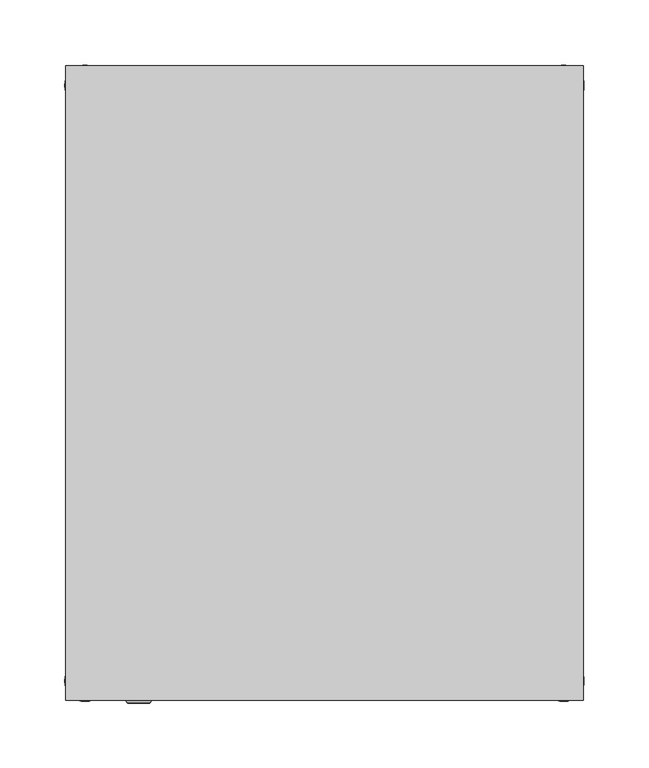
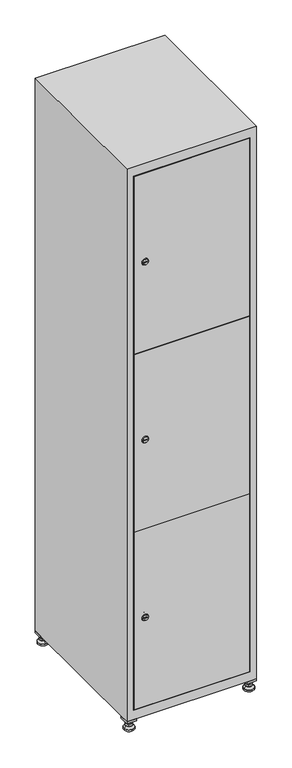
"""IFC4 building model written with IfcOpenShell, lengths in millimetres: furniture geometry."""

from ifc_helpers import new_model, si_unit, point, frame, frame_2d, origin, origin_with_axes, place, context, project, spatial, polyline, circle_curve, trimmed, segment, composite_curve, outline, extrude, faceted_brep, source, transform, mapped, element, save
from ifc_brep_helpers import plane_surface, revolved_surface, advanced_brep


def furniture_c2d61ed7(model_context):
    return source(origin(), model_context, "Body", "SolidModel", [
        extrude(outline(polyline([(200.0, 245.0), (200.0, 215.0), (170.0, 215.0), (170.0, 245.0), (200.0, 245.0)]), holes=[polyline([(198.0, 243.0), (172.0, 243.0), (172.0, 217.0), (198.0, 217.0), (198.0, 243.0)])]), frame((0.0, 0.0, 28.5), z_axis=(0.0, 0.0, 1.0), x_axis=(1.0, 0.0, 0.0)), (0.0, 0.0, 1.0), 6.5),
        extrude(outline(polyline([(170.0, -245.0), (170.0, -215.0), (200.0, -215.0), (200.0, -245.0), (170.0, -245.0)]), holes=[polyline([(172.0, -243.0), (198.0, -243.0), (198.0, -217.0), (172.0, -217.0), (172.0, -243.0)])]), frame((0.0, 0.0, 28.5), z_axis=(0.0, 0.0, 1.0), x_axis=(1.0, 0.0, 0.0)), (0.0, 0.0, 1.0), 6.5),
        extrude(outline(polyline([(-170.0, 245.0), (-170.0, 215.0), (-200.0, 215.0), (-200.0, 245.0), (-170.0, 245.0)]), holes=[polyline([(-172.0, 243.0), (-198.0, 243.0), (-198.0, 217.0), (-172.0, 217.0), (-172.0, 243.0)])]), frame((0.0, 0.0, 28.5), z_axis=(0.0, 0.0, 1.0), x_axis=(1.0, 0.0, 0.0)), (0.0, 0.0, 1.0), 6.5),
        extrude(outline(polyline([(-170.0, -215.0), (-170.0, -245.0), (-200.0, -245.0), (-200.0, -215.0), (-170.0, -215.0)]), holes=[polyline([(-198.0, -243.0), (-172.0, -243.0), (-172.0, -217.0), (-198.0, -217.0), (-198.0, -243.0)])]), frame((0.0, 0.0, 28.5), z_axis=(0.0, 0.0, 1.0), x_axis=(1.0, 0.0, 0.0)), (0.0, 0.0, 1.0), 6.5),
        extrude(outline(composite_curve([segment(trimmed(circle_curve(frame_2d((-185.0, 230.0)), 5.0), [point((-180.0, 230.0))], [point((-190.0, 230.0))], False, "CARTESIAN"), True, "CONTINUOUS"), segment(trimmed(circle_curve(frame_2d((-185.0, 230.0)), 5.0), [point((-190.0, 230.0))], [point((-180.0, 230.0))], False, "CARTESIAN"), True, "CONTINUOUS")], self_intersect=False)), frame((0.0, 0.0, 19.6), z_axis=(0.0, 0.0, 1.0), x_axis=(1.0, 0.0, 0.0)), (0.0, 0.0, 1.0), 15.4),
        extrude(outline(composite_curve([segment(trimmed(circle_curve(frame_2d((-185.0, -230.0)), 5.0), [point((-180.0, -230.0))], [point((-190.0, -230.0))], False, "CARTESIAN"), True, "CONTINUOUS"), segment(trimmed(circle_curve(frame_2d((-185.0, -230.0)), 5.0), [point((-190.0, -230.0))], [point((-180.0, -230.0))], False, "CARTESIAN"), True, "CONTINUOUS")], self_intersect=False)), frame((0.0, 0.0, 19.6), z_axis=(0.0, 0.0, 1.0), x_axis=(1.0, 0.0, 0.0)), (0.0, 0.0, 1.0), 15.4),
        extrude(outline(composite_curve([segment(trimmed(circle_curve(frame_2d((185.0, 230.0)), 5.0), [point((190.0, 230.0))], [point((180.0, 230.0))], False, "CARTESIAN"), True, "CONTINUOUS"), segment(trimmed(circle_curve(frame_2d((185.0, 230.0)), 5.0), [point((180.0, 230.0))], [point((190.0, 230.0))], False, "CARTESIAN"), True, "CONTINUOUS")], self_intersect=False)), frame((0.0, 0.0, 19.6), z_axis=(0.0, 0.0, 1.0), x_axis=(1.0, 0.0, 0.0)), (0.0, 0.0, 1.0), 15.4),
        extrude(outline(polyline([(173.4529946, 230.0), (179.2264973, 240.0), (190.7735027, 240.0), (196.5470054, 230.0), (190.7735027, 220.0), (179.2264973, 220.0), (173.4529946, 230.0)])), frame((0.0, 0.0, 13.6), z_axis=(0.0, 0.0, 1.0), x_axis=(1.0, 0.0, 0.0)), (0.0, 0.0, 1.0), 6.0),
        extrude(outline(composite_curve([segment(trimmed(circle_curve(frame_2d((185.0, -230.0)), 5.0), [point((190.0, -230.0))], [point((180.0, -230.0))], False, "CARTESIAN"), True, "CONTINUOUS"), segment(trimmed(circle_curve(frame_2d((185.0, -230.0)), 5.0), [point((180.0, -230.0))], [point((190.0, -230.0))], False, "CARTESIAN"), True, "CONTINUOUS")], self_intersect=False)), frame((0.0, 0.0, 19.6), z_axis=(0.0, 0.0, 1.0), x_axis=(1.0, 0.0, 0.0)), (0.0, 0.0, 1.0), 15.4),
        extrude(outline(polyline([(173.4529946, -230.0), (179.2264973, -220.0), (190.7735027, -220.0), (196.5470054, -230.0), (190.7735027, -240.0), (179.2264973, -240.0), (173.4529946, -230.0)])), frame((0.0, 0.0, 13.6), z_axis=(0.0, 0.0, 1.0), x_axis=(1.0, 0.0, 0.0)), (0.0, 0.0, 1.0), 6.0),
        extrude(outline(composite_curve([segment(trimmed(circle_curve(frame_2d((185.0, 230.0)), 5.0), [point((190.0, 230.0))], [point((180.0, 230.0))], False, "CARTESIAN"), True, "CONTINUOUS"), segment(trimmed(circle_curve(frame_2d((185.0, 230.0)), 5.0), [point((180.0, 230.0))], [point((190.0, 230.0))], False, "CARTESIAN"), True, "CONTINUOUS")], self_intersect=False)), frame((0.0, 0.0, 12.1), z_axis=(0.0, 0.0, 1.0), x_axis=(1.0, 0.0, 0.0)), (0.0, 0.0, 1.0), 1.5),
        extrude(outline(composite_curve([segment(trimmed(circle_curve(frame_2d((185.0, -230.0)), 5.0), [point((190.0, -230.0))], [point((180.0, -230.0))], False, "CARTESIAN"), True, "CONTINUOUS"), segment(trimmed(circle_curve(frame_2d((185.0, -230.0)), 5.0), [point((180.0, -230.0))], [point((190.0, -230.0))], False, "CARTESIAN"), True, "CONTINUOUS")], self_intersect=False)), frame((0.0, 0.0, 12.1), z_axis=(0.0, 0.0, 1.0), x_axis=(1.0, 0.0, 0.0)), (0.0, 0.0, 1.0), 1.5),
        extrude(outline(polyline([(-196.5470054, 230.0), (-190.7735027, 240.0), (-179.2264973, 240.0), (-173.4529946, 230.0), (-179.2264973, 220.0), (-190.7735027, 220.0), (-196.5470054, 230.0)])), frame((0.0, 0.0, 13.6), z_axis=(0.0, 0.0, 1.0), x_axis=(1.0, 0.0, 0.0)), (0.0, 0.0, 1.0), 6.0),
        extrude(outline(polyline([(-196.5470054, -230.0), (-190.7735027, -220.0), (-179.2264973, -220.0), (-173.4529946, -230.0), (-179.2264973, -240.0), (-190.7735027, -240.0), (-196.5470054, -230.0)])), frame((0.0, 0.0, 13.6), z_axis=(0.0, 0.0, 1.0), x_axis=(1.0, 0.0, 0.0)), (0.0, 0.0, 1.0), 6.0),
        extrude(outline(composite_curve([segment(trimmed(circle_curve(frame_2d((-185.0, 230.0)), 5.0), [point((-185.0, 235.0))], [point((-185.0, 225.0))], False, "CARTESIAN"), True, "CONTINUOUS"), segment(trimmed(circle_curve(frame_2d((-185.0, 230.0)), 5.0), [point((-185.0, 225.0))], [point((-185.0, 235.0))], False, "CARTESIAN"), True, "CONTINUOUS")], self_intersect=False)), frame((0.0, 0.0, 12.1), z_axis=(0.0, 0.0, 1.0), x_axis=(1.0, 0.0, 0.0)), (0.0, 0.0, 1.0), 1.5),
        extrude(outline(composite_curve([segment(trimmed(circle_curve(frame_2d((-185.0, -230.0)), 5.0), [point((-180.0, -230.0))], [point((-190.0, -230.0))], False, "CARTESIAN"), True, "CONTINUOUS"), segment(trimmed(circle_curve(frame_2d((-185.0, -230.0)), 5.0), [point((-190.0, -230.0))], [point((-180.0, -230.0))], False, "CARTESIAN"), True, "CONTINUOUS")], self_intersect=False)), frame((0.0, 0.0, 12.1), z_axis=(0.0, 0.0, 1.0), x_axis=(1.0, 0.0, 0.0)), (0.0, 0.0, 1.0), 1.5),
        extrude(outline(composite_curve([segment(trimmed(circle_curve(frame_2d((185.0, 230.0)), 15.75), [point((200.75, 230.0))], [point((169.25, 230.0))], False, "CARTESIAN"), True, "CONTINUOUS"), segment(trimmed(circle_curve(frame_2d((185.0, 230.0)), 15.75), [point((169.25, 230.0))], [point((200.75, 230.0))], False, "CARTESIAN"), True, "CONTINUOUS")], self_intersect=False)), origin_with_axes(), (0.0, 0.0, 1.0), 5.1),
        extrude(outline(composite_curve([segment(trimmed(circle_curve(frame_2d((185.0, -230.0)), 15.75), [point((185.0, -214.25))], [point((185.0, -245.75))], False, "CARTESIAN"), True, "CONTINUOUS"), segment(trimmed(circle_curve(frame_2d((185.0, -230.0)), 15.75), [point((185.0, -245.75))], [point((185.0, -214.25))], False, "CARTESIAN"), True, "CONTINUOUS")], self_intersect=False)), origin_with_axes(), (0.0, 0.0, 1.0), 5.1),
        extrude(outline(composite_curve([segment(trimmed(circle_curve(frame_2d((-185.0, -230.0)), 15.75), [point((-169.25, -230.0))], [point((-200.75, -230.0))], False, "CARTESIAN"), True, "CONTINUOUS"), segment(trimmed(circle_curve(frame_2d((-185.0, -230.0)), 15.75), [point((-200.75, -230.0))], [point((-169.25, -230.0))], False, "CARTESIAN"), True, "CONTINUOUS")], self_intersect=False)), origin_with_axes(), (0.0, 0.0, 1.0), 5.1),
        extrude(outline(composite_curve([segment(trimmed(circle_curve(frame_2d((-185.0, 230.0)), 15.75), [point((-169.25, 230.0))], [point((-200.75, 230.0))], False, "CARTESIAN"), True, "CONTINUOUS"), segment(trimmed(circle_curve(frame_2d((-185.0, 230.0)), 15.75), [point((-200.75, 230.0))], [point((-169.25, 230.0))], False, "CARTESIAN"), True, "CONTINUOUS")], self_intersect=False)), origin_with_axes(), (0.0, 0.0, 1.0), 5.1),
        advanced_brep(
        [(-185.0, 245.75, 5.1), (-185.0, 214.25, 5.1), (-185.0, 239.5, 12.1), (-185.0, 220.5, 12.1)],
        [
            (0, 1, circle_curve(frame((-185.0, 230.0, 5.1), z_axis=(0.0, 0.0, -1.0), x_axis=(0.0, 1.0, 0.0)), 15.75)),
            (1, 0, circle_curve(frame((-185.0, 230.0, 5.1), z_axis=(0.0, 0.0, -1.0), x_axis=(0.0, -1.0, 0.0)), 15.75)),
            (2, 3, circle_curve(frame((-185.0, 230.0, 12.1), z_axis=(0.0, 0.0, 1.0), x_axis=(0.0, -1.0, 0.0)), 9.5)),
            (3, 2, circle_curve(frame((-185.0, 230.0, 12.1), z_axis=(0.0, 0.0, 1.0), x_axis=(0.0, 1.0, 0.0)), 9.5)),
            (3, 1),
            (0, 2),
        ],
        [
            plane_surface(frame((-185.0, 230.0, 5.1), z_axis=(0.0, 0.0, -1.0), x_axis=(1.0, 0.0, 0.0))),
            plane_surface(frame((-185.0, 230.0, 12.1), z_axis=(0.0, 0.0, 1.0), x_axis=(1.0, 0.0, 0.0))),
            revolved_surface(polyline([(-185.0, 220.5, 12.099999999999998), (-185.0, 214.25, 5.099999999999998)]), (-185.0, 230.0, 22.74), (0.0, 0.0, -1.0)),
            revolved_surface(polyline([(-185.0, 239.5, 12.099999999999998), (-185.0, 245.75, 5.099999999999998)]), (-185.0, 230.0, 22.74), (0.0, 0.0, -1.0)),
        ],
        [
            (0, [[1, 2]]),
            (1, [[3, 4]]),
            (2, [[-4, 5, -1, 6]]),
            (3, [[-3, -6, -2, -5]]),
        ],
    ),
        advanced_brep(
        [(185.0, 245.75, 5.1), (185.0, 214.25, 5.1), (185.0, 239.5, 12.1), (185.0, 220.5, 12.1)],
        [
            (0, 1, circle_curve(frame((185.0, 230.0, 5.1), z_axis=(0.0, 0.0, -1.0), x_axis=(0.0, 1.0, 0.0)), 15.75)),
            (1, 0, circle_curve(frame((185.0, 230.0, 5.1), z_axis=(0.0, 0.0, -1.0), x_axis=(0.0, -1.0, 0.0)), 15.75)),
            (2, 3, circle_curve(frame((185.0, 230.0, 12.1), z_axis=(0.0, 0.0, 1.0), x_axis=(0.0, -1.0, 0.0)), 9.5)),
            (3, 2, circle_curve(frame((185.0, 230.0, 12.1), z_axis=(0.0, 0.0, 1.0), x_axis=(0.0, 1.0, 0.0)), 9.5)),
            (3, 1),
            (0, 2),
        ],
        [
            plane_surface(frame((185.0, 230.0, 5.1), z_axis=(0.0, 0.0, -1.0), x_axis=(1.0, 0.0, 0.0))),
            plane_surface(frame((185.0, 230.0, 12.1), z_axis=(0.0, 0.0, 1.0), x_axis=(1.0, 0.0, 0.0))),
            revolved_surface(polyline([(185.0, 220.5, 12.099999999999998), (185.0, 214.25, 5.099999999999998)]), (185.0, 230.0, 22.74), (0.0, 0.0, -1.0)),
            revolved_surface(polyline([(185.0, 239.5, 12.099999999999998), (185.0, 245.75, 5.099999999999998)]), (185.0, 230.0, 22.74), (0.0, 0.0, -1.0)),
        ],
        [
            (0, [[1, 2]]),
            (1, [[3, 4]]),
            (2, [[-4, 5, -1, 6]]),
            (3, [[-3, -6, -2, -5]]),
        ],
    ),
        advanced_brep(
        [(194.5, -230.0, 12.1), (175.5, -230.0, 12.1), (200.75, -230.0, 5.1), (169.25, -230.0, 5.1)],
        [
            (0, 1, circle_curve(frame((185.0, -230.0, 12.1), z_axis=(0.0, 0.0, 1.0), x_axis=(1.0, 0.0, 0.0)), 9.5)),
            (1, 0, circle_curve(frame((185.0, -230.0, 12.1), z_axis=(0.0, 0.0, 1.0), x_axis=(-1.0, 0.0, 0.0)), 9.5)),
            (2, 3, circle_curve(frame((185.0, -230.0, 5.1), z_axis=(0.0, 0.0, -1.0), x_axis=(-1.0, 0.0, 0.0)), 15.75)),
            (3, 2, circle_curve(frame((185.0, -230.0, 5.1), z_axis=(0.0, 0.0, -1.0), x_axis=(1.0, 0.0, 0.0)), 15.75)),
            (3, 1),
            (0, 2),
        ],
        [
            plane_surface(frame((185.0, -230.0, 12.1), z_axis=(0.0, 0.0, 1.0), x_axis=(0.0, 1.0, 0.0))),
            plane_surface(frame((185.0, -230.0, 5.1), z_axis=(0.0, 0.0, -1.0), x_axis=(0.0, 1.0, 0.0))),
            revolved_surface(polyline([(194.5, -230.0, 12.099999999999998), (200.75, -230.0, 5.099999999999998)]), (185.0, -230.0, 22.74), (0.0, 0.0, -1.0)),
            revolved_surface(polyline([(175.5, -230.0, 12.099999999999998), (169.25, -230.0, 5.099999999999998)]), (185.0, -230.0, 22.74), (0.0, 0.0, -1.0)),
        ],
        [
            (0, [[1, 2]]),
            (1, [[3, 4]]),
            (2, [[-4, 5, -1, 6]]),
            (3, [[-3, -6, -2, -5]]),
        ],
    ),
        advanced_brep(
        [(-175.5, -230.0, 12.1), (-194.5, -230.0, 12.1), (-169.25, -230.0, 5.1), (-200.75, -230.0, 5.1)],
        [
            (0, 1, circle_curve(frame((-185.0, -230.0, 12.1), z_axis=(0.0, 0.0, 1.0), x_axis=(1.0, 0.0, 0.0)), 9.5)),
            (1, 0, circle_curve(frame((-185.0, -230.0, 12.1), z_axis=(0.0, 0.0, 1.0), x_axis=(-1.0, 0.0, 0.0)), 9.5)),
            (2, 3, circle_curve(frame((-185.0, -230.0, 5.1), z_axis=(0.0, 0.0, -1.0), x_axis=(-1.0, 0.0, 0.0)), 15.75)),
            (3, 2, circle_curve(frame((-185.0, -230.0, 5.1), z_axis=(0.0, 0.0, -1.0), x_axis=(1.0, 0.0, 0.0)), 15.75)),
            (3, 1),
            (0, 2),
        ],
        [
            plane_surface(frame((-185.0, -230.0, 12.1), z_axis=(0.0, 0.0, 1.0), x_axis=(0.0, 1.0, 0.0))),
            plane_surface(frame((-185.0, -230.0, 5.1), z_axis=(0.0, 0.0, -1.0), x_axis=(0.0, 1.0, 0.0))),
            revolved_surface(polyline([(-175.5, -230.0, 12.099999999999998), (-169.25, -230.0, 5.099999999999998)]), (-185.0, -230.0, 22.74), (0.0, 0.0, -1.0)),
            revolved_surface(polyline([(-194.5, -230.0, 12.099999999999998), (-200.75, -230.0, 5.099999999999998)]), (-185.0, -230.0, 22.74), (0.0, 0.0, -1.0)),
        ],
        [
            (0, [[1, 2]]),
            (1, [[3, 4]]),
            (2, [[-4, 5, -1, 6]]),
            (3, [[-3, -6, -2, -5]]),
        ],
    ),
        extrude(outline(composite_curve([segment(trimmed(circle_curve(frame_2d((355.8, -170.3989466)), 7.0), [point((362.8, -170.3989466))], [point((348.8, -170.3989466))], False, "CARTESIAN"), True, "CONTINUOUS"), segment(polyline([(348.8, -170.3989466), (348.8, -142.3989466)]), True, "CONTINUOUS"), segment(trimmed(circle_curve(frame_2d((355.8, -142.3989466)), 7.0), [point((348.8, -142.3989466))], [point((362.8, -142.3989466))], False, "CARTESIAN"), True, "CONTINUOUS"), segment(polyline([(362.8, -142.3989466), (362.8, -170.3989466)]), True, "CONTINUOUS")], self_intersect=False)), frame((0.0, -227.0, 0.0), z_axis=(0.0, 1.0, 0.0), x_axis=(0.0, 0.0, 1.0)), (0.0, 0.0, 1.0), 2.0),
        advanced_brep(
        [(-135.1, -247.2, 355.8), (-152.1, -247.2, 355.8), (-148.6, -247.2, 354.55), (-148.6, -247.2, 357.05), (-138.6, -247.2, 357.05), (-138.6, -247.2, 354.55), (-133.1, -245.0, 355.8), (-154.1, -245.0, 355.8), (-148.6, -245.0, 357.05), (-148.6, -245.0, 354.55), (-138.6, -245.0, 354.55), (-138.6, -245.0, 357.05)],
        [
            (0, 1, circle_curve(frame((-143.6, -247.2, 355.8), z_axis=(0.0, -1.0, 0.0), x_axis=(1.0, 0.0, 0.0)), 8.5)),
            (1, 0, circle_curve(frame((-143.6, -247.2, 355.8), z_axis=(0.0, -1.0, 0.0), x_axis=(-1.0, 0.0, 0.0)), 8.5)),
            (2, 3),
            (3, 4),
            (4, 5),
            (5, 2),
            (6, 7, circle_curve(frame((-143.6, -245.0, 355.8), z_axis=(0.0, 1.0, 0.0), x_axis=(-1.0, 0.0, 0.0)), 10.5)),
            (7, 6, circle_curve(frame((-143.6, -245.0, 355.8), z_axis=(0.0, 1.0, 0.0), x_axis=(1.0, 0.0, 0.0)), 10.5)),
            (8, 9),
            (9, 10),
            (10, 11),
            (11, 8),
            (0, 6),
            (7, 1),
            (8, 3),
            (2, 9),
            (11, 4),
            (10, 5),
        ],
        [
            plane_surface(frame((-143.6, -247.2, 355.8), z_axis=(0.0, -1.0, 0.0), x_axis=(0.0, 0.0, 1.0))),
            plane_surface(frame((-143.6, -245.0, 355.8), z_axis=(0.0, 1.0, 0.0), x_axis=(0.0, 0.0, 1.0))),
            revolved_surface(polyline([(-135.1, -247.2, 355.8), (-133.1, -245.0, 355.8)]), (-143.6, -256.55, 355.8), (0.0, 1.0, 0.0)),
            revolved_surface(polyline([(-152.1, -247.2, 355.8), (-154.1, -245.0, 355.8)]), (-143.6, -256.55, 355.8), (0.0, 1.0, 0.0)),
            plane_surface(frame((-148.6, -245.0, 354.55), z_axis=(1.0, 0.0, 0.0), x_axis=(0.0, -1.0, 0.0))),
            plane_surface(frame((-148.6, -245.0, 357.05), z_axis=(0.0, 0.0, -1.0), x_axis=(0.0, -1.0, 0.0))),
            plane_surface(frame((-138.6, -245.0, 357.05), z_axis=(-1.0, 0.0, 0.0), x_axis=(0.0, -1.0, 0.0))),
            plane_surface(frame((-138.6, -245.0, 354.55), z_axis=(0.0, 0.0, 1.0), x_axis=(0.0, -1.0, 0.0))),
        ],
        [
            (0, [[1, 2], [3, 4, 5, 6]]),
            (1, [[7, 8], [9, 10, 11, 12]]),
            (2, [[-1, 13, -8, 14]]),
            (3, [[-2, -14, -7, -13]]),
            (4, [[15, -3, 16, -9]]),
            (5, [[-15, -12, 17, -4]]),
            (6, [[-17, -11, 18, -5]]),
            (7, [[-16, -6, -18, -10]]),
        ],
    ),
        extrude(outline(composite_curve([segment(trimmed(circle_curve(frame_2d((935.0, -170.3989466)), 7.0), [point((942.0, -170.3989466))], [point((928.0, -170.3989466))], False, "CARTESIAN"), True, "CONTINUOUS"), segment(polyline([(928.0, -170.3989466), (928.0, -142.3989466)]), True, "CONTINUOUS"), segment(trimmed(circle_curve(frame_2d((935.0, -142.3989466)), 7.0), [point((928.0, -142.3989466))], [point((942.0, -142.3989466))], False, "CARTESIAN"), True, "CONTINUOUS"), segment(polyline([(942.0, -142.3989466), (942.0, -170.3989466)]), True, "CONTINUOUS")], self_intersect=False)), frame((0.0, -227.0, 0.0), z_axis=(0.0, 1.0, 0.0), x_axis=(0.0, 0.0, 1.0)), (0.0, 0.0, 1.0), 2.0),
        advanced_brep(
        [(-135.1, -247.2, 935.0), (-152.1, -247.2, 935.0), (-148.6, -247.2, 933.75), (-148.6, -247.2, 936.25), (-138.6, -247.2, 936.25), (-138.6, -247.2, 933.75), (-133.1, -245.0, 935.0), (-154.1, -245.0, 935.0), (-148.6, -245.0, 936.25), (-148.6, -245.0, 933.75), (-138.6, -245.0, 933.75), (-138.6, -245.0, 936.25)],
        [
            (0, 1, circle_curve(frame((-143.6, -247.2, 935.0), z_axis=(0.0, -1.0, 0.0), x_axis=(1.0, 0.0, 0.0)), 8.5)),
            (1, 0, circle_curve(frame((-143.6, -247.2, 935.0), z_axis=(0.0, -1.0, 0.0), x_axis=(-1.0, 0.0, 0.0)), 8.5)),
            (2, 3),
            (3, 4),
            (4, 5),
            (5, 2),
            (6, 7, circle_curve(frame((-143.6, -245.0, 935.0), z_axis=(0.0, 1.0, 0.0), x_axis=(-1.0, 0.0, 0.0)), 10.5)),
            (7, 6, circle_curve(frame((-143.6, -245.0, 935.0), z_axis=(0.0, 1.0, 0.0), x_axis=(1.0, 0.0, 0.0)), 10.5)),
            (8, 9),
            (9, 10),
            (10, 11),
            (11, 8),
            (0, 6),
            (7, 1),
            (8, 3),
            (2, 9),
            (11, 4),
            (10, 5),
        ],
        [
            plane_surface(frame((-143.6, -247.2, 935.0), z_axis=(0.0, -1.0, 0.0), x_axis=(0.0, 0.0, 1.0))),
            plane_surface(frame((-143.6, -245.0, 935.0), z_axis=(0.0, 1.0, 0.0), x_axis=(0.0, 0.0, 1.0))),
            revolved_surface(polyline([(-135.1, -247.2, 935.0), (-133.1, -245.0, 935.0)]), (-143.6, -256.55, 935.0), (0.0, 1.0, 0.0)),
            revolved_surface(polyline([(-152.1, -247.2, 935.0), (-154.1, -245.0, 935.0)]), (-143.6, -256.55, 935.0), (0.0, 1.0, 0.0)),
            plane_surface(frame((-148.6, -245.0, 933.75), z_axis=(1.0, 0.0, 0.0), x_axis=(0.0, -1.0, 0.0))),
            plane_surface(frame((-148.6, -245.0, 936.25), z_axis=(0.0, 0.0, -1.0), x_axis=(0.0, -1.0, 0.0))),
            plane_surface(frame((-138.6, -245.0, 936.25), z_axis=(-1.0, 0.0, 0.0), x_axis=(0.0, -1.0, 0.0))),
            plane_surface(frame((-138.6, -245.0, 933.75), z_axis=(0.0, 0.0, 1.0), x_axis=(0.0, -1.0, 0.0))),
        ],
        [
            (0, [[1, 2], [3, 4, 5, 6]]),
            (1, [[7, 8], [9, 10, 11, 12]]),
            (2, [[-1, 13, -8, 14]]),
            (3, [[-2, -14, -7, -13]]),
            (4, [[15, -3, 16, -9]]),
            (5, [[-15, -12, 17, -4]]),
            (6, [[-17, -11, 18, -5]]),
            (7, [[-16, -6, -18, -10]]),
        ],
    ),
        extrude(outline(composite_curve([segment(trimmed(circle_curve(frame_2d((1514.2, -170.3989466)), 7.0), [point((1521.2, -170.3989466))], [point((1507.2, -170.3989466))], False, "CARTESIAN"), True, "CONTINUOUS"), segment(polyline([(1507.2, -170.3989466), (1507.2, -142.3989466)]), True, "CONTINUOUS"), segment(trimmed(circle_curve(frame_2d((1514.2, -142.3989466)), 7.0), [point((1507.2, -142.3989466))], [point((1521.2, -142.3989466))], False, "CARTESIAN"), True, "CONTINUOUS"), segment(polyline([(1521.2, -142.3989466), (1521.2, -170.3989466)]), True, "CONTINUOUS")], self_intersect=False)), frame((0.0, -227.0, 0.0), z_axis=(0.0, 1.0, 0.0), x_axis=(0.0, 0.0, 1.0)), (0.0, 0.0, 1.0), 2.0),
        advanced_brep(
        [(-135.1, -247.2, 1514.2), (-152.1, -247.2, 1514.2), (-148.6, -247.2, 1512.95), (-148.6, -247.2, 1515.45), (-138.6, -247.2, 1515.45), (-138.6, -247.2, 1512.95), (-133.1, -245.0, 1514.2), (-154.1, -245.0, 1514.2), (-148.6, -245.0, 1515.45), (-148.6, -245.0, 1512.95), (-138.6, -245.0, 1512.95), (-138.6, -245.0, 1515.45)],
        [
            (0, 1, circle_curve(frame((-143.6, -247.2, 1514.2), z_axis=(0.0, -1.0, 0.0), x_axis=(1.0, 0.0, 0.0)), 8.5)),
            (1, 0, circle_curve(frame((-143.6, -247.2, 1514.2), z_axis=(0.0, -1.0, 0.0), x_axis=(-1.0, 0.0, 0.0)), 8.5)),
            (2, 3),
            (3, 4),
            (4, 5),
            (5, 2),
            (6, 7, circle_curve(frame((-143.6, -245.0, 1514.2), z_axis=(0.0, 1.0, 0.0), x_axis=(-1.0, 0.0, 0.0)), 10.5)),
            (7, 6, circle_curve(frame((-143.6, -245.0, 1514.2), z_axis=(0.0, 1.0, 0.0), x_axis=(1.0, 0.0, 0.0)), 10.5)),
            (8, 9),
            (9, 10),
            (10, 11),
            (11, 8),
            (0, 6),
            (7, 1),
            (8, 3),
            (2, 9),
            (11, 4),
            (10, 5),
        ],
        [
            plane_surface(frame((-143.6, -247.2, 1514.2), z_axis=(0.0, -1.0, 0.0), x_axis=(0.0, 0.0, 1.0))),
            plane_surface(frame((-143.6, -245.0, 1514.2), z_axis=(0.0, 1.0, 0.0), x_axis=(0.0, 0.0, 1.0))),
            revolved_surface(polyline([(-135.1, -247.2, 1514.2), (-133.1, -245.0, 1514.2)]), (-143.6, -256.55, 1514.2), (0.0, 1.0, 0.0)),
            revolved_surface(polyline([(-152.1, -247.2, 1514.2), (-154.1, -245.0, 1514.2)]), (-143.6, -256.55, 1514.2), (0.0, 1.0, 0.0)),
            plane_surface(frame((-148.6, -245.0, 1512.95), z_axis=(1.0, 0.0, 0.0), x_axis=(0.0, -1.0, 0.0))),
            plane_surface(frame((-148.6, -245.0, 1515.45), z_axis=(0.0, 0.0, -1.0), x_axis=(0.0, -1.0, 0.0))),
            plane_surface(frame((-138.6, -245.0, 1515.45), z_axis=(-1.0, 0.0, 0.0), x_axis=(0.0, -1.0, 0.0))),
            plane_surface(frame((-138.6, -245.0, 1512.95), z_axis=(0.0, 0.0, 1.0), x_axis=(0.0, -1.0, 0.0))),
        ],
        [
            (0, [[1, 2], [3, 4, 5, 6]]),
            (1, [[7, 8], [9, 10, 11, 12]]),
            (2, [[-1, 13, -8, 14]]),
            (3, [[-2, -14, -7, -13]]),
            (4, [[15, -3, 16, -9]]),
            (5, [[-15, -12, 17, -4]]),
            (6, [[-17, -11, 18, -5]]),
            (7, [[-16, -6, -18, -10]]),
        ],
    ),
        extrude(outline(polyline([(178.6, -227.0), (178.6, -245.0), (-178.6, -245.0), (-178.6, -227.0), (178.6, -227.0)])), frame((0.0, 0.0, 645.9), z_axis=(0.0, 0.0, 1.0), x_axis=(1.0, 0.0, 0.0)), (0.0, 0.0, 1.0), 578.2),
        extrude(outline(polyline([(-178.6, -245.0), (-178.6, -227.0), (178.6, -227.0), (178.6, -245.0), (-178.6, -245.0)])), frame((0.0, 0.0, 1225.1), z_axis=(0.0, 0.0, 1.0), x_axis=(1.0, 0.0, 0.0)), (0.0, 0.0, 1.0), 578.7),
        extrude(outline(polyline([(178.6, -227.0), (178.6, -245.0), (-178.6, -245.0), (-178.6, -227.0), (178.6, -227.0)])), frame((0.0, 0.0, 66.2), z_axis=(0.0, 0.0, 1.0), x_axis=(1.0, 0.0, 0.0)), (0.0, 0.0, 1.0), 578.7),
        extrude(outline(polyline([(179.6, 242.0), (179.6, -227.0), (-179.6, -227.0), (-179.6, 242.0), (179.6, 242.0)])), frame((0.0, 0.0, 1214.7333333), z_axis=(0.0, 0.0, 1.0), x_axis=(1.0, 0.0, 0.0)), (0.0, 0.0, 1.0), 20.4),
        extrude(outline(polyline([(-179.6, 242.0), (179.6, 242.0), (179.6, -227.0), (-179.6, -227.0), (-179.6, 242.0)])), frame((0.0, 0.0, 634.8666667), z_axis=(0.0, 0.0, 1.0), x_axis=(1.0, 0.0, 0.0)), (0.0, 0.0, 1.0), 20.4),
        faceted_brep([(200.0, -245.0, 35.0), (200.0, -245.0, 1835.0), (-200.0, -245.0, 1835.0), (-200.0, -245.0, 35.0), (179.6, -245.0, 1804.8), (179.6, -245.0, 65.2), (-179.6, -245.0, 65.2), (-179.6, -245.0, 1804.8), (200.0, 245.0, 35.0), (-200.0, 245.0, 35.0), (200.0, 245.0, 1835.0), (-200.0, 245.0, 1835.0), (179.6, 242.0, 1804.8), (179.6, 242.0, 65.2), (-200.0, 245.0, 1804.8), (-179.6, 242.0, 1804.8), (-179.6, 242.0, 65.2)], [[[0, 1, 2, 3], [4, 5, 6, 7]], [[8, 0, 3, 9]], [[1, 0, 8, 10]], [[1, 10, 11, 2]], [[4, 12, 13, 5]], [[9, 3, 2, 11, 14]], [[10, 8, 9, 14, 11]], [[12, 15, 16, 13]], [[15, 7, 6, 16]], [[4, 7, 15, 12]], [[6, 5, 13, 16]]]),
    ])


if __name__ == "__main__":
    model = new_model("IFC4")
    model_context = context("Model", 3, world=origin())
    ifc_project = project(units=[si_unit("LENGTHUNIT", "METRE", prefix="MILLI")], contexts=[model_context])
    site = spatial("IfcSite", under=ifc_project)
    building = spatial("IfcBuilding", under=site)
    placement = place(None, origin())
    furniture_shape = furniture_c2d61ed7(model_context)
    element("IfcFurniture", 1, at=placement, inside=building, context=model_context, shape_type="MappedRepresentation", body=[
        mapped(furniture_shape, transform((0.0, 0.0, 0.0), x_axis=(1.0, 0.0, 0.0), y_axis=(0.0, 1.0, 0.0), z_axis=(0.0, 0.0, 1.0))),
    ])
    save(model, "model.ifc")
